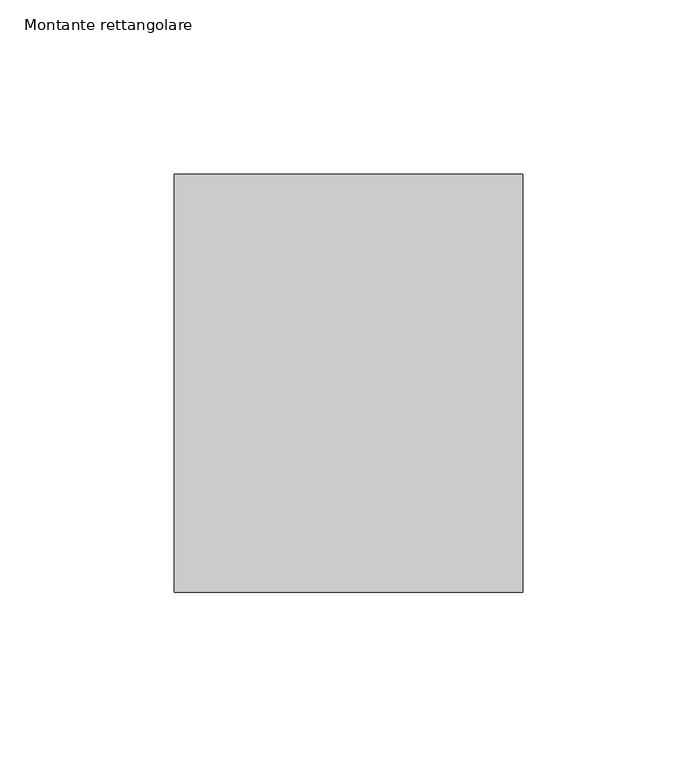
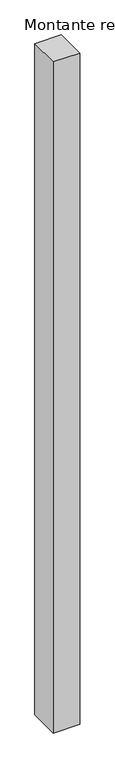
"""IFC4 building model written with IfcOpenShell, lengths in millimetres: member geometry, Montante rettangolare."""

from ifc_helpers import new_model, si_unit, frame, origin, place, context, project, spatial, polyline, outline, extrude, source, transform, mapped, element, save


def montante_rettangolare_7e4d482d(model_context):
    return source(origin(), model_context, "Body", "SweptSolid", [
        extrude(outline(polyline([(0.0, 60.0), (0.0, -60.0), (-100.0, -60.0), (-100.0, 60.0), (0.0, 60.0)])), frame((0.0, 0.0, -2672.4151236), z_axis=(0.0, 0.0, 1.0), x_axis=(1.0, 0.0, 0.0)), (0.0, 0.0, 1.0), 2672.4151236),
    ])


if __name__ == "__main__":
    model = new_model("IFC4")
    model_context = context("Model", 3, world=origin())
    ifc_project = project(units=[si_unit("LENGTHUNIT", "METRE", prefix="MILLI")], contexts=[model_context])
    site = spatial("IfcSite", under=ifc_project)
    building = spatial("IfcBuilding", under=site)
    placement = place(None, origin())
    montante_rettangolare_shape = montante_rettangolare_7e4d482d(model_context)
    element("IfcMember", 1, ObjectType="Montante rettangolare", at=placement, inside=building, context=model_context, shape_type="MappedRepresentation", body=[
        mapped(montante_rettangolare_shape, transform((0.0, 0.0, 0.0), x_axis=(1.0, 0.0, 0.0), y_axis=(0.0, 1.0, 0.0), z_axis=(0.0, 0.0, 1.0))),
    ])
    save(model, "model.ifc")
